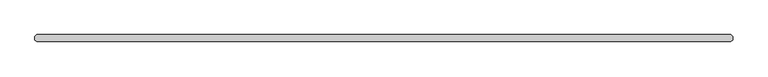
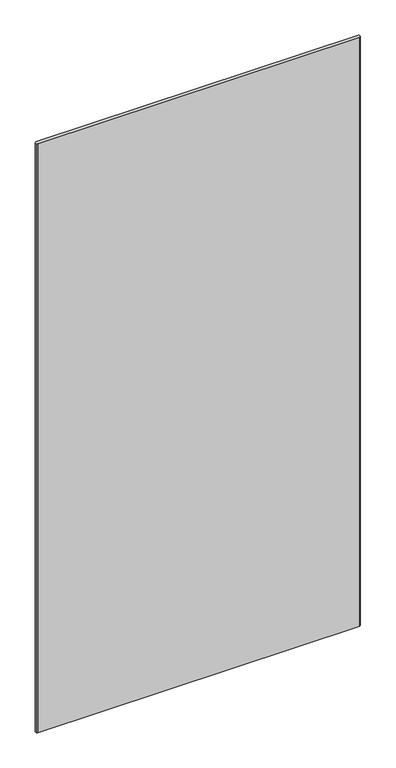
"""IFC4 building model written with IfcOpenShell, lengths in millimetres: plate geometry."""

from ifc_helpers import new_model, si_unit, origin, origin_with_axes, place, context, project, spatial, polyline, outline, extrude, source, transform, mapped, element, save


def plate_e0d277e2(model_context):
    return source(origin(), model_context, "Body", "SweptSolid", [
        extrude(outline(polyline([(628.253125, -6.35), (-628.253125, -6.35), (-631.428125, -3.175), (-631.428125, 3.175), (-628.253125, 6.35), (628.253125, 6.35), (631.428125, 3.175), (631.428125, -3.175), (628.253125, -6.35)])), origin_with_axes(), (0.0, 0.0, 1.0), 2427.1914267),
    ])


if __name__ == "__main__":
    model = new_model("IFC4")
    model_context = context("Model", 3, world=origin())
    ifc_project = project(units=[si_unit("LENGTHUNIT", "METRE", prefix="MILLI")], contexts=[model_context])
    site = spatial("IfcSite", under=ifc_project)
    building = spatial("IfcBuilding", under=site)
    placement = place(None, origin())
    plate_shape = plate_e0d277e2(model_context)
    element("IfcPlate", 1, at=placement, inside=building, context=model_context, shape_type="MappedRepresentation", body=[
        mapped(plate_shape, transform((0.0, 0.0, 0.0), x_axis=(1.0, 0.0, 0.0), y_axis=(0.0, 1.0, 0.0), z_axis=(0.0, 0.0, 1.0))),
    ])
    save(model, "model.ifc")
